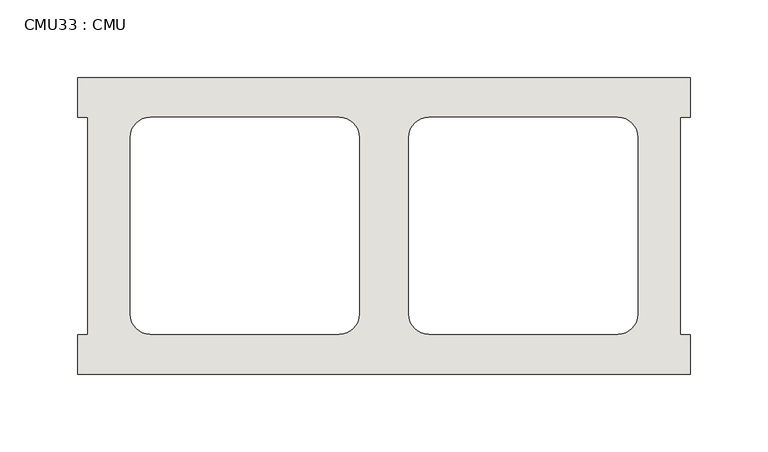
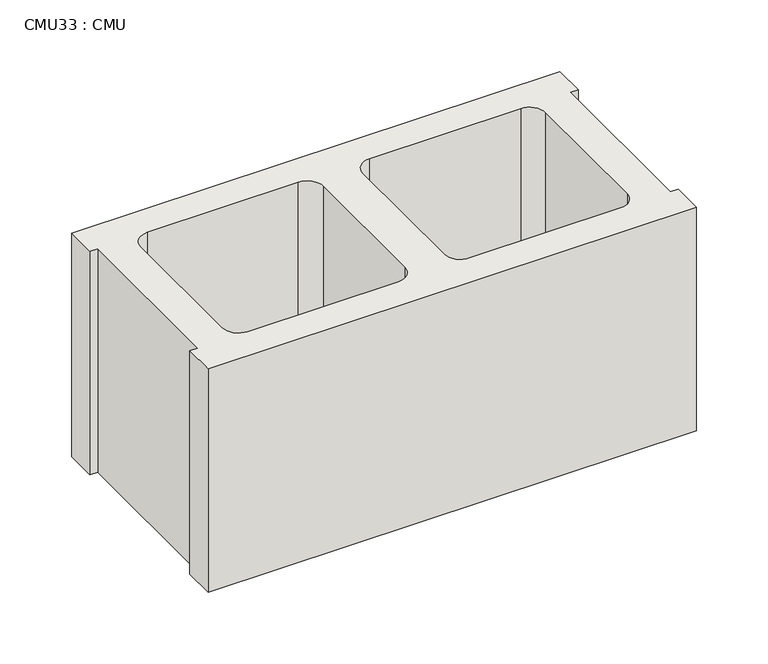
"""IFC4 building model written with IfcOpenShell, lengths in millimetres: wall geometry, CMU33 : CMU."""

from ifc_helpers import new_model, si_unit, point, frame_2d, origin, origin_with_axes, place, context, project, spatial, polyline, circle_curve, trimmed, segment, composite_curve, outline, extrude, source, transform, mapped, element, save


def cmu33_cmu_3b14b818(model_context):
    return source(origin(), model_context, "Body", "SweptSolid", [
        extrude(outline(polyline([(-241.5939032, 2871.3003704), (152.1060968, 2871.3003704), (152.1060968, 2845.9003704), (145.7560968, 2845.9003704), (145.7560968, 2706.2003704), (152.1060968, 2706.2003704), (152.1060968, 2680.8003704), (-241.5939032, 2680.8003704), (-241.5939032, 2706.2003704), (-235.2439032, 2706.2003704), (-235.2439032, 2845.9003704), (-241.5939032, 2845.9003704), (-241.5939032, 2871.3003704)]), holes=[composite_curve([segment(polyline([(-73.4259045, 2845.9003704), (-195.1425546, 2845.9003704)]), True, "CONTINUOUS"), segment(trimmed(circle_curve(frame_2d((-195.1425546, 2833.2003704)), 12.7), [point((-195.1425546, 2845.9003704))], [point((-207.8425546, 2833.2003704))], True, "CARTESIAN"), True, "CONTINUOUS"), segment(polyline([(-207.8425546, 2833.2003704), (-207.8425546, 2719.1345307)]), True, "CONTINUOUS"), segment(trimmed(circle_curve(frame_2d((-195.1425546, 2719.1345307)), 12.7), [point((-207.8425546, 2719.1345307))], [point((-195.1425546, 2706.4345307))], True, "CARTESIAN"), True, "CONTINUOUS"), segment(polyline([(-195.1425546, 2706.4345307), (-73.4259045, 2706.4345307)]), True, "CONTINUOUS"), segment(trimmed(circle_curve(frame_2d((-73.4259045, 2719.1345307)), 12.7), [point((-73.4259045, 2706.4345307))], [point((-60.7259045, 2719.1345307))], True, "CARTESIAN"), True, "CONTINUOUS"), segment(polyline([(-60.7259045, 2719.1345307), (-60.7259045, 2833.2003704)]), True, "CONTINUOUS"), segment(trimmed(circle_curve(frame_2d((-73.4259045, 2833.2003704)), 12.7), [point((-60.7259045, 2833.2003704))], [point((-73.4259045, 2845.9003704))], True, "CARTESIAN"), True, "CONTINUOUS")], self_intersect=False), composite_curve([segment(trimmed(circle_curve(frame_2d((-16.0619018, 2833.2003704)), 12.7), [point((-16.0619018, 2845.9003704))], [point((-28.7619018, 2833.2003704))], True, "CARTESIAN"), True, "CONTINUOUS"), segment(polyline([(-28.7619018, 2833.2003704), (-28.7619018, 2719.1345307)]), True, "CONTINUOUS"), segment(trimmed(circle_curve(frame_2d((-16.0619018, 2719.1345307)), 12.7), [point((-28.7619018, 2719.1345307))], [point((-16.0619018, 2706.4345307))], True, "CARTESIAN"), True, "CONTINUOUS"), segment(polyline([(-16.0619018, 2706.4345307), (105.6547483, 2706.4345307)]), True, "CONTINUOUS"), segment(trimmed(circle_curve(frame_2d((105.6547483, 2719.1345307)), 12.7), [point((105.6547483, 2706.4345307))], [point((118.3547483, 2719.1345307))], True, "CARTESIAN"), True, "CONTINUOUS"), segment(polyline([(118.3547483, 2719.1345307), (118.3547483, 2833.2003704)]), True, "CONTINUOUS"), segment(trimmed(circle_curve(frame_2d((105.6547483, 2833.2003704)), 12.7), [point((118.3547483, 2833.2003704))], [point((105.6547483, 2845.9003704))], True, "CARTESIAN"), True, "CONTINUOUS"), segment(polyline([(105.6547483, 2845.9003704), (-16.0619018, 2845.9003704)]), True, "CONTINUOUS")], self_intersect=False)]), origin_with_axes(), (0.0, 0.0, 1.0), 190.5),
    ])


if __name__ == "__main__":
    model = new_model("IFC4")
    model_context = context("Model", 3, world=origin())
    ifc_project = project(units=[si_unit("LENGTHUNIT", "METRE", prefix="MILLI")], contexts=[model_context])
    site = spatial("IfcSite", under=ifc_project)
    building = spatial("IfcBuilding", under=site)
    placement = place(None, origin())
    cmu33_cmu_shape = cmu33_cmu_3b14b818(model_context)
    element("IfcWall", 1, ObjectType="CMU33 : CMU", at=placement, inside=building, context=model_context, shape_type="MappedRepresentation", body=[
        mapped(cmu33_cmu_shape, transform((0.0, 0.0, 0.0), x_axis=(1.0, 0.0, 0.0), y_axis=(0.0, 1.0, 0.0), z_axis=(0.0, 0.0, 1.0))),
    ])
    save(model, "model.ifc")
